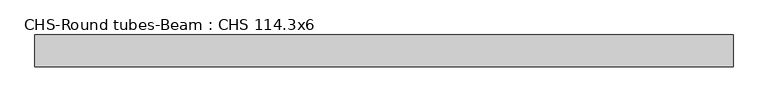
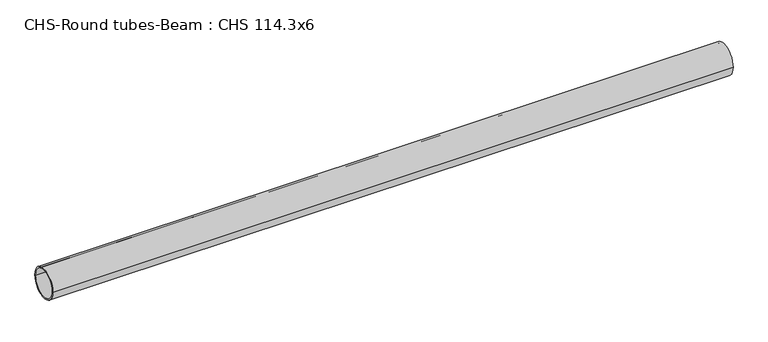
"""IFC4 building model written with IfcOpenShell, lengths in millimetres: beam geometry, CHS-Round tubes-Beam : CHS 114.3x6."""

import ifcopenshell
import ifcopenshell.guid

model = None  # the IFC model being written
_history = None  # IfcOwnerHistory: only IFC2X3 demands one
_inside = {}  # id of a spatial element -> (the spatial element, [elements in it])
_under = {}  # id of a project, library or spatial element -> (it, [spatial elements below it])
_declared = {}  # id of a project -> (the project, [libraries it declares])
_typed = {}  # id of a type object -> (the type object, [elements of that type])
_made_of = {}  # id of a material, layer set ... -> (it, [elements and type objects made of it])


def new_model(schema):
    """Start an empty IFC model of exactly this schema.

    Asked for "IFC4X3", IfcOpenShell would pick the latest addendum, in which some entities
    have other attributes; the version numbers below select the first issue.
    IFC2X3 requires an IfcOwnerHistory on every rooted entity: one is made here for all.
    """
    global model, _history
    if schema == "IFC4X3":
        model = ifcopenshell.file(schema_version=(4, 3, 0, 0))
    else:
        model = ifcopenshell.file(schema=schema)
    _inside.clear()
    _under.clear()
    _declared.clear()
    _typed.clear()
    _made_of.clear()
    _history = None
    if model.schema == "IFC2X3":
        org = make("IfcOrganization", Name="unknown")
        user = make(
            "IfcPersonAndOrganization",
            ThePerson=make("IfcPerson", FamilyName="unknown"),
            TheOrganization=org,
        )
        app = make(
            "IfcApplication",
            ApplicationDeveloper=org,
            Version="unknown",
            ApplicationFullName="unknown",
            ApplicationIdentifier="unknown",
        )
        _history = make(
            "IfcOwnerHistory",
            OwningUser=user,
            OwningApplication=app,
            ChangeAction="ADDED",
            CreationDate=0,
        )
    return model


def make(cls, **values):
    """One entity of the class cls with the attributes given. An attribute that is None is left unset."""
    return model.create_entity(
        cls, **{name: value for name, value in values.items() if value is not None}
    )


def rooted(cls, **values):
    """An entity with a GlobalId (a new one), such as an element, a storey or a relation."""
    return make(cls, GlobalId=ifcopenshell.guid.new(), OwnerHistory=_history, **values)


def si_unit(unit_type, name, prefix=None):
    """IfcSIUnit, for example si_unit("LENGTHUNIT", "METRE", prefix="MILLI")."""
    return make("IfcSIUnit", UnitType=unit_type, Prefix=prefix, Name=name)


def assignment(units):
    """IfcUnitAssignment: the units of a project."""
    return None if units is None else make("IfcUnitAssignment", Units=units)


def point(xyz):
    """IfcCartesianPoint."""
    return None if xyz is None else make("IfcCartesianPoint", Coordinates=xyz)


def direction(xyz):
    """IfcDirection."""
    return None if xyz is None else make("IfcDirection", DirectionRatios=xyz)


def frame(location, z_axis=None, x_axis=None):
    """IfcAxis2Placement3D, a coordinate frame: its origin and axes. An axis left out is left unset."""
    return make(
        "IfcAxis2Placement3D",
        Location=point(location),
        Axis=direction(z_axis),
        RefDirection=direction(x_axis),
    )


def frame_2d(location, x_axis=None):
    """IfcAxis2Placement2D, a coordinate frame in the plane: its origin and x axis."""
    return make(
        "IfcAxis2Placement2D", Location=point(location), RefDirection=direction(x_axis)
    )


def origin():
    """The frame at (0, 0, 0) with its axes left unset."""
    return frame((0.0, 0.0, 0.0))


def origin_2d():
    """The frame at (0, 0) in the plane with its x axis left unset."""
    return frame_2d((0.0, 0.0))


def place(relative_to, where):
    """IfcLocalPlacement: puts the frame where relative to a parent placement (None: the world)."""
    return make(
        "IfcLocalPlacement", PlacementRelTo=relative_to, RelativePlacement=where
    )


def context(
    kind, dimensions, precision=None, world=None, true_north=None, identifier=None
):
    """IfcGeometricRepresentationContext, for example the 3D "Model" context."""
    return make(
        "IfcGeometricRepresentationContext",
        ContextIdentifier=identifier,
        ContextType=kind,
        CoordinateSpaceDimension=dimensions,
        Precision=precision,
        WorldCoordinateSystem=world,
        TrueNorth=true_north,
    )


def project(units=None, contexts=None):
    """IfcProject with its units and contexts."""
    return rooted(
        "IfcProject",
        Name="project",
        RepresentationContexts=contexts,
        UnitsInContext=assignment(units),
    )


def spatial(cls, under=None, at=None, **own):
    """A site, building, storey or space (cls), placed at a placement, below another one or the project."""
    s = rooted(cls, ObjectPlacement=at, **own)
    if under is not None:
        _under.setdefault(under.id(), (under, []))[1].append(s)
    return s


def circle_curve(where, radius):
    """IfcCircle in the frame where."""
    return make("IfcCircle", Position=where, Radius=radius)


def trimmed(basis, trim1, trim2, sense, master):
    """IfcTrimmedCurve: the piece of a basis curve between two trims."""
    return make(
        "IfcTrimmedCurve",
        BasisCurve=basis,
        Trim1=trim1,
        Trim2=trim2,
        SenseAgreement=sense,
        MasterRepresentation=master,
    )


def segment(curve, same_sense, transition):
    """IfcCompositeCurveSegment."""
    return make(
        "IfcCompositeCurveSegment",
        Transition=transition,
        SameSense=same_sense,
        ParentCurve=curve,
    )


def composite_curve(segments, self_intersect=None):
    """IfcCompositeCurve: segments joined end to end."""
    return make("IfcCompositeCurve", Segments=segments, SelfIntersect=self_intersect)


def outline(outer, holes=None, kind="AREA"):
    """IfcArbitraryClosedProfileDef: a profile drawn as a closed curve; with holes, ...WithVoids."""
    if holes is None:
        return make("IfcArbitraryClosedProfileDef", ProfileType=kind, OuterCurve=outer)
    return make(
        "IfcArbitraryProfileDefWithVoids",
        ProfileType=kind,
        OuterCurve=outer,
        InnerCurves=holes,
    )


def extrude(swept, where, along, depth):
    """IfcExtrudedAreaSolid: the profile swept, set in the frame where, extruded along a direction by depth."""
    return make(
        "IfcExtrudedAreaSolid",
        SweptArea=swept,
        Position=where,
        ExtrudedDirection=direction(along),
        Depth=depth,
    )


def shape(context_of_items, identifier, shape_type, items):
    """IfcShapeRepresentation: the items that make up one representation, for example the "Body"."""
    return make(
        "IfcShapeRepresentation",
        ContextOfItems=context_of_items,
        RepresentationIdentifier=identifier,
        RepresentationType=shape_type,
        Items=items,
    )


def source(mapping_origin, context_of_items, identifier, shape_type, items):
    """IfcRepresentationMap: a shape defined once, which mapped items show again and again."""
    return make(
        "IfcRepresentationMap",
        MappingOrigin=mapping_origin,
        MappedRepresentation=shape(context_of_items, identifier, shape_type, items),
    )


def transform(
    local_origin,
    x_axis=None,
    y_axis=None,
    z_axis=None,
    scale=None,
    scale2=None,
    scale3=None,
    uniform=True,
):
    """IfcCartesianTransformationOperator3D, or its non-uniform kind. x_axis, y_axis, z_axis: its Axis1, 2, 3."""
    if uniform:
        return make(
            "IfcCartesianTransformationOperator3D",
            Axis1=direction(x_axis),
            Axis2=direction(y_axis),
            LocalOrigin=point(local_origin),
            Scale=scale,
            Axis3=direction(z_axis),
        )
    return make(
        "IfcCartesianTransformationOperator3DnonUniform",
        Axis1=direction(x_axis),
        Axis2=direction(y_axis),
        LocalOrigin=point(local_origin),
        Scale=scale,
        Axis3=direction(z_axis),
        Scale2=scale2,
        Scale3=scale3,
    )


def mapped(mapping_source, mapping_target):
    """IfcMappedItem: shows the shape of a source again, moved by a transform."""
    return make(
        "IfcMappedItem", MappingSource=mapping_source, MappingTarget=mapping_target
    )


def made_of(thing, what):
    """Note that an element or type object is made of a material, layer set ...; save() writes the relation."""
    if what is not None:
        _made_of.setdefault(what.id(), (what, []))[1].append(thing)
    return thing


def element(
    cls,
    number,
    at=None,
    inside=None,
    cuts=None,
    type_object=None,
    material=None,
    context=None,
    identifier="Body",
    shape_type=None,
    held_by="IfcProductDefinitionShape",
    body=None,
    shapes=None,
    **own,
):
    """One element of the class cls, such as IfcWall. Its Tag is "e" and its number.

    at: its placement. inside: the storey or other place that contains it. cuts: it is an
    opening in that element (IfcRelVoidsElement). A single representation is given by context,
    identifier, shape_type and body (its items); several are given by shapes. held_by: the class
    of the entity that holds the representations. save() writes the other relations.
    """
    e = rooted(cls, Tag="e%d" % number, ObjectPlacement=at, **own)
    if body is not None:
        shapes = [shape(context, identifier, shape_type, body)]
    if shapes is not None:
        e.Representation = make(held_by, Representations=shapes)
    if inside is not None:
        _inside.setdefault(inside.id(), (inside, []))[1].append(e)
    if cuts is not None:
        rooted(
            "IfcRelVoidsElement", RelatingBuildingElement=cuts, RelatedOpeningElement=e
        )
    if type_object is not None:
        _typed.setdefault(type_object.id(), (type_object, []))[1].append(e)
    return made_of(e, material)


def aggregate(whole, parts):
    """IfcRelAggregates: a whole, such as a stair, and the parts it consists of."""
    return rooted("IfcRelAggregates", RelatingObject=whole, RelatedObjects=parts)


def save(model, path):
    """Write the relations noted so far, then the file.

    IfcRelAggregates (storeys below a building ...), IfcRelContainedInSpatialStructure (elements
    in a storey), IfcRelDefinesByType, IfcRelAssociatesMaterial and IfcRelDeclares: one each for
    every whole, place, type object, material and project.
    """
    for whole, parts in _under.values():
        aggregate(whole, parts)
    for where, things in _inside.values():
        rooted(
            "IfcRelContainedInSpatialStructure",
            RelatedElements=things,
            RelatingStructure=where,
        )
    for kind, things in _typed.values():
        rooted("IfcRelDefinesByType", RelatedObjects=things, RelatingType=kind)
    for what, things in _made_of.values():
        rooted("IfcRelAssociatesMaterial", RelatedObjects=things, RelatingMaterial=what)
    for by, libraries in _declared.values():
        rooted("IfcRelDeclares", RelatingContext=by, RelatedDefinitions=libraries)
    model.write(path)


def chs_round_tubes_beam_chs_114_3x6_1d57a0f5(model_context):
    return source(origin(), model_context, "Body", "SweptSolid", [
        extrude(outline(composite_curve([segment(trimmed(circle_curve(origin_2d(), 57.15), [point((57.15, 0.0))], [point((-57.15, 0.0))], False, "CARTESIAN"), True, "CONTINUOUS"), segment(trimmed(circle_curve(origin_2d(), 57.15), [point((-57.15, 0.0))], [point((57.15, 0.0))], False, "CARTESIAN"), True, "CONTINUOUS")], self_intersect=False), holes=[composite_curve([segment(trimmed(circle_curve(origin_2d(), 51.15), [point((51.15, 0.0))], [point((-51.15, 0.0))], True, "CARTESIAN"), True, "CONTINUOUS"), segment(trimmed(circle_curve(origin_2d(), 51.15), [point((-51.15, 0.0))], [point((51.15, 0.0))], True, "CARTESIAN"), True, "CONTINUOUS")], self_intersect=False)]), frame((-1218.6728408, 0.0, 0.0), z_axis=(1.0, 0.0, 0.0), x_axis=(0.0, 1.0, 0.0)), (0.0, 0.0, 1.0), 2503.5006842),
    ])


if __name__ == "__main__":
    model = new_model("IFC4")
    model_context = context("Model", 3, world=origin())
    ifc_project = project(units=[si_unit("LENGTHUNIT", "METRE", prefix="MILLI")], contexts=[model_context])
    site = spatial("IfcSite", under=ifc_project)
    building = spatial("IfcBuilding", under=site)
    placement = place(None, origin())
    chs_round_tubes_beam_chs_114_3x6_shape = chs_round_tubes_beam_chs_114_3x6_1d57a0f5(model_context)
    element("IfcBeam", 1, ObjectType="CHS-Round tubes-Beam : CHS 114.3x6", at=placement, inside=building, context=model_context, shape_type="MappedRepresentation", body=[
        mapped(chs_round_tubes_beam_chs_114_3x6_shape, transform((0.0, 0.0, 0.0), x_axis=(1.0, 0.0, 0.0), y_axis=(0.0, 1.0, 0.0), z_axis=(0.0, 0.0, 1.0))),
    ])
    save(model, "model.ifc")
